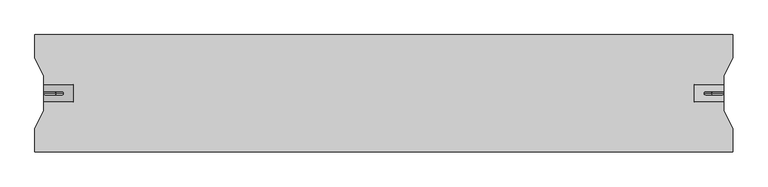
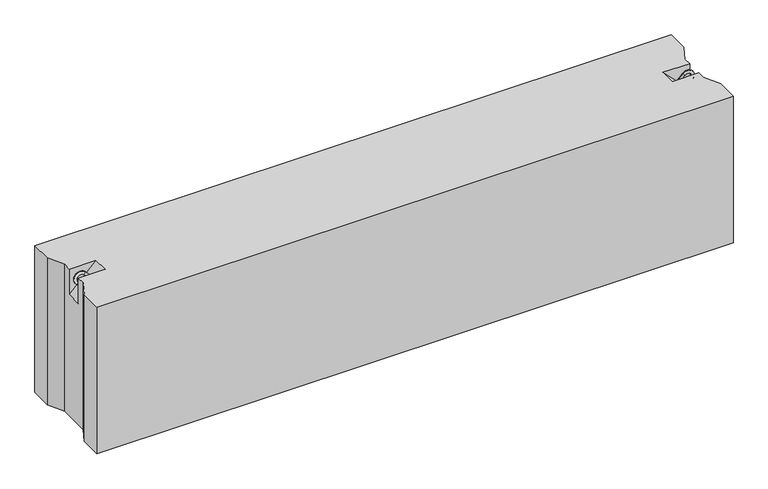
"""IFC4 building model written with IfcOpenShell, lengths in millimetres: proxy geometry."""

from ifc_helpers import new_model, si_unit, point, frame, origin, place, context, project, spatial, circle_curve, ellipse_curve, trimmed, faceted_brep, source, transform, mapped, element, save
from ifc_brep_helpers import plane_surface, cylinder_surface, revolved_surface, advanced_brep


def generic_models_8c91e1c9(model_context):
    return source(origin(), model_context, "Body", "SolidModel", [
        advanced_brep(
        [(2282.3223305, 0.0, 547.6776695), (2289.3933983, 0.0, 540.6066017), (2314.3933983, 0.0, 565.6066017), (2307.3223305, 0.0, 572.6776695), (2335.6066017, 0.0, 544.3933983), (2342.6776695, 0.0, 537.3223305), (2317.6776695, 0.0, 512.3223305), (2310.6066017, 0.0, 519.3933983)],
        [
            (0, 1, circle_curve(frame((2285.8578644, 0.0, 544.1421356), z_axis=(-0.7071067811865482, 0.0, -0.7071067811865468), x_axis=(0.7071067811865468, 0.0, -0.7071067811865482)), 5.0)),
            (1, 0, circle_curve(frame((2285.8578644, 0.0, 544.1421356), z_axis=(-0.7071067811865482, 0.0, -0.7071067811865468), x_axis=(0.7071067811865468, 0.0, -0.7071067811865482)), 5.0)),
            (1, 2),
            (2, 3, circle_curve(frame((2310.8578644, 0.0, 569.1421356), z_axis=(-0.7071067811865482, 0.0, -0.7071067811865468), x_axis=(0.7071067811865468, 0.0, -0.7071067811865482)), 5.0)),
            (3, 0),
            (3, 2, circle_curve(frame((2310.8578644, 0.0, 569.1421356), z_axis=(-0.7071067811865482, 0.0, -0.7071067811865468), x_axis=(0.7071067811865468, 0.0, -0.7071067811865482)), 5.0)),
            (4, 5, circle_curve(frame((2339.1421356, 0.0, 540.8578644), z_axis=(0.7071067811865457, 0.0, 0.7071067811865493), x_axis=(-0.7071067811865493, 0.0, 0.7071067811865457)), 5.0)),
            (5, 3, circle_curve(frame((2325.0, 0.0, 555.0), z_axis=(0.0, -1.0, 0.0), x_axis=(-0.7071067811865468, 0.0, 0.7071067811865482)), 25.0)),
            (2, 4, circle_curve(frame((2325.0, 0.0, 555.0), z_axis=(0.0, 1.0, 0.0), x_axis=(-0.7071067811865468, 0.0, 0.7071067811865482)), 15.0)),
            (5, 4, circle_curve(frame((2339.1421356, 0.0, 540.8578644), z_axis=(0.7071067811865459, 0.0, 0.7071067811865491), x_axis=(-0.7071067811865491, 0.0, 0.7071067811865459)), 5.0)),
            (6, 7, circle_curve(frame((2314.1421356, 0.0, 515.8578644), z_axis=(-0.7071067811865505, 0.0, -0.7071067811865446), x_axis=(-0.7071067811865446, 0.0, 0.7071067811865505)), 5.0)),
            (7, 6, circle_curve(frame((2314.1421356, 0.0, 515.8578644), z_axis=(-0.7071067811865505, 0.0, -0.7071067811865446), x_axis=(-0.7071067811865446, 0.0, 0.7071067811865505)), 5.0)),
            (4, 7),
            (6, 5),
        ],
        [
            plane_surface(frame((2282.3223305, 0.0, 547.6776695), z_axis=(-0.7071067811865482, 0.0, -0.7071067811865468), x_axis=(0.0, -1.0, 0.0))),
            cylinder_surface(frame((2285.8578644, 0.0, 544.1421356), z_axis=(-0.7071067811865482, 0.0, -0.7071067811865468), x_axis=(0.7071067811865468, 0.0, -0.7071067811865482)), 5.0),
            revolved_surface(trimmed(ellipse_curve(frame((2310.8578644, 0.0, 569.1421356), z_axis=(0.7071067811865482, 0.0, 0.7071067811865468), x_axis=(0.7071067811865468, 0.0, -0.7071067811865482)), 5.0, 5.0), [point((2307.3223305, 0.0, 572.6776695))], [point((2314.3933983, 0.0, 565.6066017))], True, "CARTESIAN"), (2325.0, 0.0, 555.0), (0.0, -1.0, 0.0)),
            revolved_surface(trimmed(ellipse_curve(frame((2310.8578644, 0.0, 569.1421356), z_axis=(0.7071067811865482, 0.0, 0.7071067811865468), x_axis=(0.7071067811865468, 0.0, -0.7071067811865482)), 5.0, 5.0), [point((2314.3933983, 0.0, 565.6066017))], [point((2307.3223305, 0.0, 572.6776695))], True, "CARTESIAN"), (2325.0, 0.0, 555.0), (0.0, -1.0, 0.0)),
            plane_surface(frame((2317.6776695, 0.0, 512.3223305), z_axis=(-0.7071067811865505, 0.0, -0.7071067811865446), x_axis=(0.0, -1.0, 0.0))),
            cylinder_surface(frame((2339.1421356, 0.0, 540.8578644), z_axis=(0.7071067811865505, 0.0, 0.7071067811865446), x_axis=(-0.7071067811865446, 0.0, 0.7071067811865505)), 5.0),
        ],
        [
            (0, [[1, 2]]),
            (1, [[3, 4, 5, -2]]),
            (1, [[-5, 6, -3, -1]]),
            (2, [[7, 8, -4, 9]]),
            (3, [[10, -9, -6, -8]]),
            (4, [[11, 12]]),
            (5, [[13, -11, 14, -7]]),
            (5, [[-14, -12, -13, -10]]),
        ],
    ),
        advanced_brep(
        [(97.6776695, 0.0, 547.6776695), (90.6066017, 0.0, 540.6066017), (72.6776695, 0.0, 572.6776695), (65.6066017, 0.0, 565.6066017), (44.3933983, 0.0, 544.3933983), (37.3223305, 0.0, 537.3223305), (62.3223305, 0.0, 512.3223305), (69.3933983, 0.0, 519.3933983)],
        [
            (0, 1, circle_curve(frame((94.1421356, 0.0, 544.1421356), z_axis=(0.707106781186546, 0.0, -0.707106781186549), x_axis=(-0.707106781186549, 0.0, -0.707106781186546)), 5.0)),
            (1, 0, circle_curve(frame((94.1421356, 0.0, 544.1421356), z_axis=(0.707106781186546, 0.0, -0.707106781186549), x_axis=(-0.707106781186549, 0.0, -0.707106781186546)), 5.0)),
            (0, 2),
            (2, 3, circle_curve(frame((69.1421356, 0.0, 569.1421356), z_axis=(0.707106781186546, 0.0, -0.707106781186549), x_axis=(-0.707106781186549, 0.0, -0.707106781186546)), 5.0)),
            (3, 1),
            (3, 2, circle_curve(frame((69.1421356, 0.0, 569.1421356), z_axis=(0.707106781186546, 0.0, -0.707106781186549), x_axis=(-0.707106781186549, 0.0, -0.707106781186546)), 5.0)),
            (4, 3, circle_curve(frame((55.0, 0.0, 555.0), z_axis=(0.0, 1.0, 0.0), x_axis=(0.707106781186549, 0.0, 0.707106781186546)), 15.0)),
            (2, 5, circle_curve(frame((55.0, 0.0, 555.0), z_axis=(0.0, -1.0, 0.0), x_axis=(0.707106781186549, 0.0, 0.707106781186546)), 25.0)),
            (5, 4, circle_curve(frame((40.8578644, 0.0, 540.8578644), z_axis=(-0.7071067811865437, 0.0, 0.7071067811865513), x_axis=(0.7071067811865513, 0.0, 0.7071067811865437)), 5.0)),
            (4, 5, circle_curve(frame((40.8578644, 0.0, 540.8578644), z_axis=(-0.7071067811865437, 0.0, 0.7071067811865513), x_axis=(0.7071067811865513, 0.0, 0.7071067811865437)), 5.0)),
            (6, 7, circle_curve(frame((65.8578644, 0.0, 515.8578644), z_axis=(0.7071067811865482, 0.0, -0.7071067811865468), x_axis=(0.7071067811865468, 0.0, 0.7071067811865482)), 5.0)),
            (7, 6, circle_curve(frame((65.8578644, 0.0, 515.8578644), z_axis=(0.7071067811865482, 0.0, -0.7071067811865468), x_axis=(0.7071067811865468, 0.0, 0.7071067811865482)), 5.0)),
            (5, 6),
            (7, 4),
        ],
        [
            plane_surface(frame((97.6776695, 0.0, 547.6776695), z_axis=(0.707106781186546, 0.0, -0.707106781186549), x_axis=(0.0, -1.0, 0.0))),
            cylinder_surface(frame((94.1421356, 0.0, 544.1421356), z_axis=(0.707106781186546, 0.0, -0.707106781186549), x_axis=(-0.707106781186549, 0.0, -0.707106781186546)), 5.0),
            revolved_surface(trimmed(ellipse_curve(frame((69.1421356, 0.0, 569.1421356), z_axis=(0.707106781186546, 0.0, -0.707106781186549), x_axis=(-0.707106781186549, 0.0, -0.707106781186546)), 5.0, 5.0), [point((72.6776695, 0.0, 572.6776695))], [point((65.6066017, 0.0, 565.6066017))], True, "CARTESIAN"), (55.0, 0.0, 555.0), (0.0, -1.0, 0.0)),
            revolved_surface(trimmed(ellipse_curve(frame((69.1421356, 0.0, 569.1421356), z_axis=(0.707106781186546, 0.0, -0.707106781186549), x_axis=(-0.707106781186549, 0.0, -0.707106781186546)), 5.0, 5.0), [point((65.6066017, 0.0, 565.6066017))], [point((72.6776695, 0.0, 572.6776695))], True, "CARTESIAN"), (55.0, 0.0, 555.0), (0.0, -1.0, 0.0)),
            plane_surface(frame((62.3223305, 0.0, 512.3223305), z_axis=(0.7071067811865482, 0.0, -0.7071067811865468), x_axis=(0.0, -1.0, 0.0))),
            cylinder_surface(frame((40.8578644, 0.0, 540.8578644), z_axis=(-0.7071067811865482, 0.0, 0.7071067811865468), x_axis=(0.7071067811865468, 0.0, 0.7071067811865482)), 5.0),
        ],
        [
            (0, [[1, 2]]),
            (1, [[-1, 3, 4, 5]]),
            (1, [[-2, -5, 6, -3]]),
            (2, [[7, -4, 8, 9]]),
            (3, [[-8, -6, -7, 10]]),
            (4, [[11, 12]]),
            (5, [[-9, 13, -12, 14]]),
            (5, [[-10, -14, -11, -13]]),
        ],
    ),
        faceted_brep([(2380.0, 200.0, 580.0), (0.0, 200.0, 580.0), (0.0, 120.0, 580.0), (30.0, 60.0, 580.0), (30.0, 30.0, 580.0), (130.0, 30.0, 580.0), (130.0, -30.0, 580.0), (30.0, -30.0, 580.0), (30.0, -60.0, 580.0), (0.0, -120.0, 580.0), (0.0, -200.0, 580.0), (2380.0, -200.0, 580.0), (2380.0, -120.0, 580.0), (2350.0, -60.0, 580.0), (2350.0, -30.0, 580.0), (2250.0, -30.0, 580.0), (2250.0, 30.0, 580.0), (2350.0, 30.0, 580.0), (2350.0, 60.0, 580.0), (2380.0, 120.0, 580.0), (2380.0, 200.0, 0.0), (2380.0, 120.0, 0.0), (2350.0, 60.0, 0.0), (2350.0, -60.0, 0.0), (2380.0, -120.0, 0.0), (2380.0, -200.0, 0.0), (0.0, -200.0, 0.0), (0.0, -120.0, 0.0), (30.0, -60.0, 0.0), (30.0, 60.0, 0.0), (0.0, 120.0, 0.0), (0.0, 200.0, 0.0), (30.0, -30.0, 480.0), (30.0, 30.0, 480.0), (2350.0, 30.0, 480.0), (2350.0, -30.0, 480.0)], [[[0, 1, 2, 3, 4, 5, 6, 7, 8, 9, 10, 11, 12, 13, 14, 15, 16, 17, 18, 19]], [[20, 21, 22, 23, 24, 25, 26, 27, 28, 29, 30, 31]], [[1, 0, 20, 31]], [[10, 9, 27, 26]], [[11, 10, 26, 25]], [[0, 19, 21, 20]], [[2, 1, 31, 30]], [[3, 2, 30, 29]], [[29, 28, 8, 7, 32, 33, 4, 3]], [[9, 8, 28, 27]], [[12, 11, 25, 24]], [[13, 12, 24, 23]], [[23, 22, 18, 17, 34, 35, 14, 13]], [[19, 18, 22, 21]], [[6, 32, 7]], [[35, 15, 14]], [[33, 5, 4]], [[16, 34, 17]], [[32, 6, 5, 33]], [[15, 35, 34, 16]]]),
    ])


if __name__ == "__main__":
    model = new_model("IFC4")
    model_context = context("Model", 3, world=origin())
    ifc_project = project(units=[si_unit("LENGTHUNIT", "METRE", prefix="MILLI")], contexts=[model_context])
    site = spatial("IfcSite", under=ifc_project)
    building = spatial("IfcBuilding", under=site)
    placement = place(None, origin())
    generic_models_shape = generic_models_8c91e1c9(model_context)
    element("IfcBuildingElementProxy", 1, Name="Generic Models", at=placement, inside=building, context=model_context, shape_type="MappedRepresentation", body=[
        mapped(generic_models_shape, transform((0.0, 0.0, 0.0), x_axis=(1.0, 0.0, 0.0), y_axis=(0.0, 1.0, 0.0), z_axis=(0.0, 0.0, 1.0))),
    ])
    save(model, "model.ifc")
